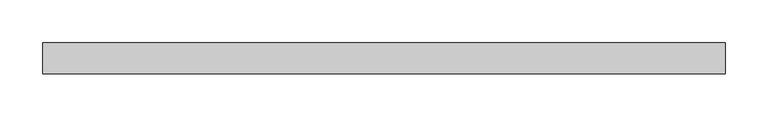
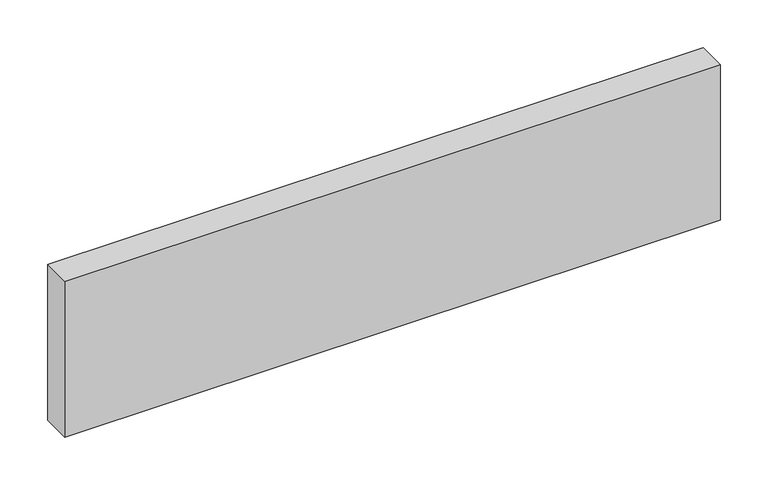
"""IFC4 building model written with IfcOpenShell, lengths in millimetres: beam geometry."""

from ifc_helpers import new_model, si_unit, frame, origin, place, context, project, spatial, polyline, outline, extrude, source, transform, mapped, element, save


def beam_2e4eb145(model_context):
    return source(origin(), model_context, "Body", "SweptSolid", [
        extrude(outline(polyline([(398.0, -18.0), (-398.0, -18.0), (-398.0, 18.0), (398.0, 18.0), (398.0, -18.0)])), frame((0.0, 0.0, -100.0), z_axis=(0.0, 0.0, 1.0), x_axis=(1.0, 0.0, 0.0)), (0.0, 0.0, 1.0), 200.0),
    ])


if __name__ == "__main__":
    model = new_model("IFC4")
    model_context = context("Model", 3, world=origin())
    ifc_project = project(units=[si_unit("LENGTHUNIT", "METRE", prefix="MILLI")], contexts=[model_context])
    site = spatial("IfcSite", under=ifc_project)
    building = spatial("IfcBuilding", under=site)
    placement = place(None, origin())
    beam_shape = beam_2e4eb145(model_context)
    element("IfcBeam", 1, at=placement, inside=building, context=model_context, shape_type="MappedRepresentation", body=[
        mapped(beam_shape, transform((0.0, 0.0, 0.0), x_axis=(1.0, 0.0, 0.0), y_axis=(0.0, 1.0, 0.0), z_axis=(0.0, 0.0, 1.0))),
    ])
    save(model, "model.ifc")
